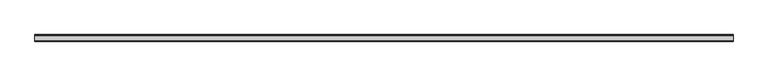
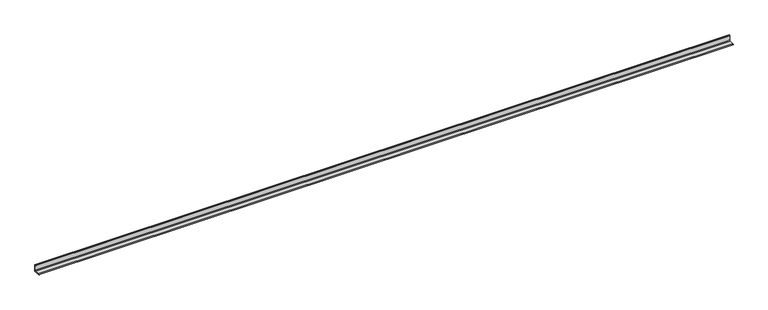
"""IFC4 building model written with IfcOpenShell, lengths in millimetres: beam geometry."""

import ifcopenshell
import ifcopenshell.guid

model = None  # the IFC model being written
_history = None  # IfcOwnerHistory: only IFC2X3 demands one
_inside = {}  # id of a spatial element -> (the spatial element, [elements in it])
_under = {}  # id of a project, library or spatial element -> (it, [spatial elements below it])
_declared = {}  # id of a project -> (the project, [libraries it declares])
_typed = {}  # id of a type object -> (the type object, [elements of that type])
_made_of = {}  # id of a material, layer set ... -> (it, [elements and type objects made of it])


def new_model(schema):
    """Start an empty IFC model of exactly this schema.

    Asked for "IFC4X3", IfcOpenShell would pick the latest addendum, in which some entities
    have other attributes; the version numbers below select the first issue.
    IFC2X3 requires an IfcOwnerHistory on every rooted entity: one is made here for all.
    """
    global model, _history
    if schema == "IFC4X3":
        model = ifcopenshell.file(schema_version=(4, 3, 0, 0))
    else:
        model = ifcopenshell.file(schema=schema)
    _inside.clear()
    _under.clear()
    _declared.clear()
    _typed.clear()
    _made_of.clear()
    _history = None
    if model.schema == "IFC2X3":
        org = make("IfcOrganization", Name="unknown")
        user = make(
            "IfcPersonAndOrganization",
            ThePerson=make("IfcPerson", FamilyName="unknown"),
            TheOrganization=org,
        )
        app = make(
            "IfcApplication",
            ApplicationDeveloper=org,
            Version="unknown",
            ApplicationFullName="unknown",
            ApplicationIdentifier="unknown",
        )
        _history = make(
            "IfcOwnerHistory",
            OwningUser=user,
            OwningApplication=app,
            ChangeAction="ADDED",
            CreationDate=0,
        )
    return model


def make(cls, **values):
    """One entity of the class cls with the attributes given. An attribute that is None is left unset."""
    return model.create_entity(
        cls, **{name: value for name, value in values.items() if value is not None}
    )


def rooted(cls, **values):
    """An entity with a GlobalId (a new one), such as an element, a storey or a relation."""
    return make(cls, GlobalId=ifcopenshell.guid.new(), OwnerHistory=_history, **values)


def si_unit(unit_type, name, prefix=None):
    """IfcSIUnit, for example si_unit("LENGTHUNIT", "METRE", prefix="MILLI")."""
    return make("IfcSIUnit", UnitType=unit_type, Prefix=prefix, Name=name)


def assignment(units):
    """IfcUnitAssignment: the units of a project."""
    return None if units is None else make("IfcUnitAssignment", Units=units)


def point(xyz):
    """IfcCartesianPoint."""
    return None if xyz is None else make("IfcCartesianPoint", Coordinates=xyz)


def direction(xyz):
    """IfcDirection."""
    return None if xyz is None else make("IfcDirection", DirectionRatios=xyz)


def frame(location, z_axis=None, x_axis=None):
    """IfcAxis2Placement3D, a coordinate frame: its origin and axes. An axis left out is left unset."""
    return make(
        "IfcAxis2Placement3D",
        Location=point(location),
        Axis=direction(z_axis),
        RefDirection=direction(x_axis),
    )


def frame_2d(location, x_axis=None):
    """IfcAxis2Placement2D, a coordinate frame in the plane: its origin and x axis."""
    return make(
        "IfcAxis2Placement2D", Location=point(location), RefDirection=direction(x_axis)
    )


def origin():
    """The frame at (0, 0, 0) with its axes left unset."""
    return frame((0.0, 0.0, 0.0))


def place(relative_to, where):
    """IfcLocalPlacement: puts the frame where relative to a parent placement (None: the world)."""
    return make(
        "IfcLocalPlacement", PlacementRelTo=relative_to, RelativePlacement=where
    )


def context(
    kind, dimensions, precision=None, world=None, true_north=None, identifier=None
):
    """IfcGeometricRepresentationContext, for example the 3D "Model" context."""
    return make(
        "IfcGeometricRepresentationContext",
        ContextIdentifier=identifier,
        ContextType=kind,
        CoordinateSpaceDimension=dimensions,
        Precision=precision,
        WorldCoordinateSystem=world,
        TrueNorth=true_north,
    )


def project(units=None, contexts=None):
    """IfcProject with its units and contexts."""
    return rooted(
        "IfcProject",
        Name="project",
        RepresentationContexts=contexts,
        UnitsInContext=assignment(units),
    )


def spatial(cls, under=None, at=None, **own):
    """A site, building, storey or space (cls), placed at a placement, below another one or the project."""
    s = rooted(cls, ObjectPlacement=at, **own)
    if under is not None:
        _under.setdefault(under.id(), (under, []))[1].append(s)
    return s


def polyline(points):
    """IfcPolyline through the points."""
    return make("IfcPolyline", Points=[point(p) for p in points])


def circle_curve(where, radius):
    """IfcCircle in the frame where."""
    return make("IfcCircle", Position=where, Radius=radius)


def trimmed(basis, trim1, trim2, sense, master):
    """IfcTrimmedCurve: the piece of a basis curve between two trims."""
    return make(
        "IfcTrimmedCurve",
        BasisCurve=basis,
        Trim1=trim1,
        Trim2=trim2,
        SenseAgreement=sense,
        MasterRepresentation=master,
    )


def segment(curve, same_sense, transition):
    """IfcCompositeCurveSegment."""
    return make(
        "IfcCompositeCurveSegment",
        Transition=transition,
        SameSense=same_sense,
        ParentCurve=curve,
    )


def composite_curve(segments, self_intersect=None):
    """IfcCompositeCurve: segments joined end to end."""
    return make("IfcCompositeCurve", Segments=segments, SelfIntersect=self_intersect)


def outline(outer, holes=None, kind="AREA"):
    """IfcArbitraryClosedProfileDef: a profile drawn as a closed curve; with holes, ...WithVoids."""
    if holes is None:
        return make("IfcArbitraryClosedProfileDef", ProfileType=kind, OuterCurve=outer)
    return make(
        "IfcArbitraryProfileDefWithVoids",
        ProfileType=kind,
        OuterCurve=outer,
        InnerCurves=holes,
    )


def extrude(swept, where, along, depth):
    """IfcExtrudedAreaSolid: the profile swept, set in the frame where, extruded along a direction by depth."""
    return make(
        "IfcExtrudedAreaSolid",
        SweptArea=swept,
        Position=where,
        ExtrudedDirection=direction(along),
        Depth=depth,
    )


def shape(context_of_items, identifier, shape_type, items):
    """IfcShapeRepresentation: the items that make up one representation, for example the "Body"."""
    return make(
        "IfcShapeRepresentation",
        ContextOfItems=context_of_items,
        RepresentationIdentifier=identifier,
        RepresentationType=shape_type,
        Items=items,
    )


def source(mapping_origin, context_of_items, identifier, shape_type, items):
    """IfcRepresentationMap: a shape defined once, which mapped items show again and again."""
    return make(
        "IfcRepresentationMap",
        MappingOrigin=mapping_origin,
        MappedRepresentation=shape(context_of_items, identifier, shape_type, items),
    )


def transform(
    local_origin,
    x_axis=None,
    y_axis=None,
    z_axis=None,
    scale=None,
    scale2=None,
    scale3=None,
    uniform=True,
):
    """IfcCartesianTransformationOperator3D, or its non-uniform kind. x_axis, y_axis, z_axis: its Axis1, 2, 3."""
    if uniform:
        return make(
            "IfcCartesianTransformationOperator3D",
            Axis1=direction(x_axis),
            Axis2=direction(y_axis),
            LocalOrigin=point(local_origin),
            Scale=scale,
            Axis3=direction(z_axis),
        )
    return make(
        "IfcCartesianTransformationOperator3DnonUniform",
        Axis1=direction(x_axis),
        Axis2=direction(y_axis),
        LocalOrigin=point(local_origin),
        Scale=scale,
        Axis3=direction(z_axis),
        Scale2=scale2,
        Scale3=scale3,
    )


def mapped(mapping_source, mapping_target):
    """IfcMappedItem: shows the shape of a source again, moved by a transform."""
    return make(
        "IfcMappedItem", MappingSource=mapping_source, MappingTarget=mapping_target
    )


def made_of(thing, what):
    """Note that an element or type object is made of a material, layer set ...; save() writes the relation."""
    if what is not None:
        _made_of.setdefault(what.id(), (what, []))[1].append(thing)
    return thing


def element(
    cls,
    number,
    at=None,
    inside=None,
    cuts=None,
    type_object=None,
    material=None,
    context=None,
    identifier="Body",
    shape_type=None,
    held_by="IfcProductDefinitionShape",
    body=None,
    shapes=None,
    **own,
):
    """One element of the class cls, such as IfcWall. Its Tag is "e" and its number.

    at: its placement. inside: the storey or other place that contains it. cuts: it is an
    opening in that element (IfcRelVoidsElement). A single representation is given by context,
    identifier, shape_type and body (its items); several are given by shapes. held_by: the class
    of the entity that holds the representations. save() writes the other relations.
    """
    e = rooted(cls, Tag="e%d" % number, ObjectPlacement=at, **own)
    if body is not None:
        shapes = [shape(context, identifier, shape_type, body)]
    if shapes is not None:
        e.Representation = make(held_by, Representations=shapes)
    if inside is not None:
        _inside.setdefault(inside.id(), (inside, []))[1].append(e)
    if cuts is not None:
        rooted(
            "IfcRelVoidsElement", RelatingBuildingElement=cuts, RelatedOpeningElement=e
        )
    if type_object is not None:
        _typed.setdefault(type_object.id(), (type_object, []))[1].append(e)
    return made_of(e, material)


def aggregate(whole, parts):
    """IfcRelAggregates: a whole, such as a stair, and the parts it consists of."""
    return rooted("IfcRelAggregates", RelatingObject=whole, RelatedObjects=parts)


def save(model, path):
    """Write the relations noted so far, then the file.

    IfcRelAggregates (storeys below a building ...), IfcRelContainedInSpatialStructure (elements
    in a storey), IfcRelDefinesByType, IfcRelAssociatesMaterial and IfcRelDeclares: one each for
    every whole, place, type object, material and project.
    """
    for whole, parts in _under.values():
        aggregate(whole, parts)
    for where, things in _inside.values():
        rooted(
            "IfcRelContainedInSpatialStructure",
            RelatedElements=things,
            RelatingStructure=where,
        )
    for kind, things in _typed.values():
        rooted("IfcRelDefinesByType", RelatedObjects=things, RelatingType=kind)
    for what, things in _made_of.values():
        rooted("IfcRelAssociatesMaterial", RelatedObjects=things, RelatingMaterial=what)
    for by, libraries in _declared.values():
        rooted("IfcRelDeclares", RelatingContext=by, RelatedDefinitions=libraries)
    model.write(path)


def beam_d6460564(model_context):
    return source(origin(), model_context, "Body", "SweptSolid", [
        extrude(outline(composite_curve([segment(polyline([(21.3, -21.3), (-53.7, -21.3), (-53.7, -18.3)]), True, "CONTINUOUS"), segment(trimmed(circle_curve(frame_2d((-48.7, -18.3)), 5.0), [point((-53.7, -18.3))], [point((-48.7, -13.3))], False, "CARTESIAN"), True, "CONTINUOUS"), segment(polyline([(-48.7, -13.3), (5.3, -13.3)]), True, "CONTINUOUS"), segment(trimmed(circle_curve(frame_2d((5.3, -5.3)), 8.0), [point((5.3, -13.3))], [point((13.3, -5.3))], True, "CARTESIAN"), True, "CONTINUOUS"), segment(polyline([(13.3, -5.3), (13.3, 48.7)]), True, "CONTINUOUS"), segment(trimmed(circle_curve(frame_2d((18.3, 48.7)), 5.0), [point((13.3, 48.7))], [point((18.3, 53.7))], False, "CARTESIAN"), True, "CONTINUOUS"), segment(polyline([(18.3, 53.7), (21.3, 53.7), (21.3, -21.3)]), True, "CONTINUOUS")], self_intersect=False)), frame((-3954.0, 0.0, 0.0), z_axis=(1.0, 0.0, 0.0), x_axis=(0.0, 1.0, 0.0)), (0.0, 0.0, 1.0), 7909.0),
    ])


if __name__ == "__main__":
    model = new_model("IFC4")
    model_context = context("Model", 3, world=origin())
    ifc_project = project(units=[si_unit("LENGTHUNIT", "METRE", prefix="MILLI")], contexts=[model_context])
    site = spatial("IfcSite", under=ifc_project)
    building = spatial("IfcBuilding", under=site)
    placement = place(None, origin())
    beam_shape = beam_d6460564(model_context)
    element("IfcBeam", 1, at=placement, inside=building, context=model_context, shape_type="MappedRepresentation", body=[
        mapped(beam_shape, transform((0.0, 0.0, 0.0), x_axis=(1.0, 0.0, 0.0), y_axis=(0.0, 1.0, 0.0), z_axis=(0.0, 0.0, 1.0))),
    ])
    save(model, "model.ifc")
